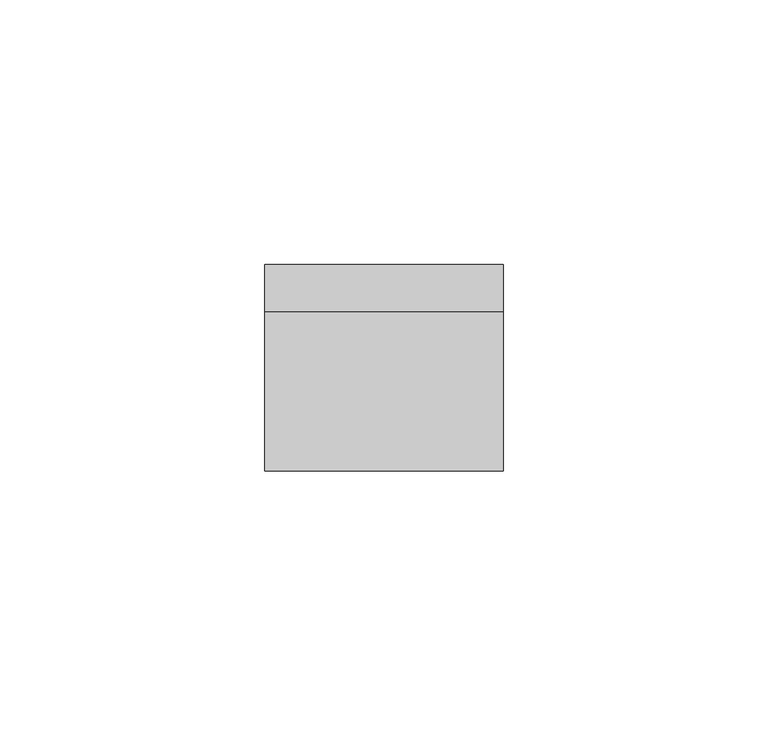
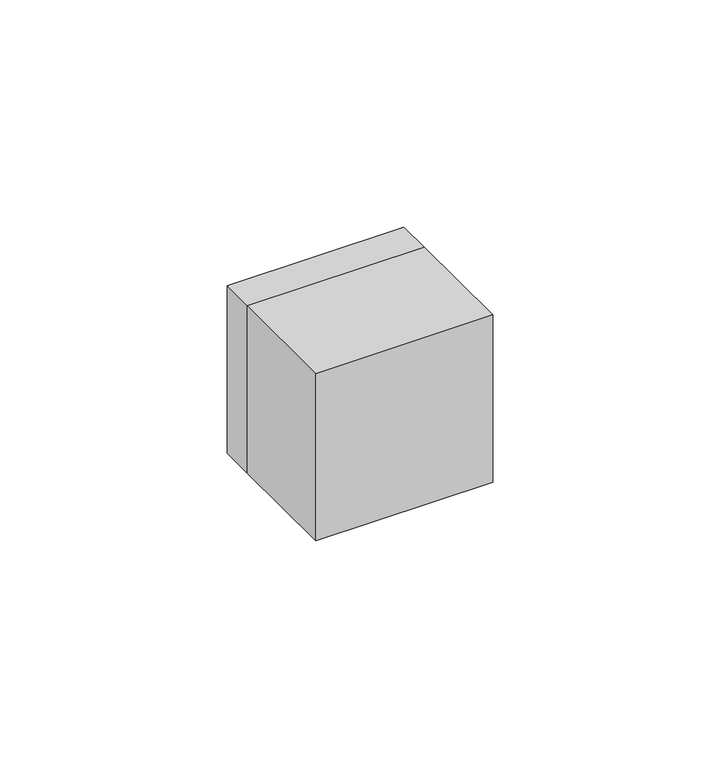
"""IFC4 building model written with IfcOpenShell, lengths in millimetres: electric appliance geometry."""

import ifcopenshell
import ifcopenshell.guid

model = None  # the IFC model being written
_history = None  # IfcOwnerHistory: only IFC2X3 demands one
_inside = {}  # id of a spatial element -> (the spatial element, [elements in it])
_under = {}  # id of a project, library or spatial element -> (it, [spatial elements below it])
_declared = {}  # id of a project -> (the project, [libraries it declares])
_typed = {}  # id of a type object -> (the type object, [elements of that type])
_made_of = {}  # id of a material, layer set ... -> (it, [elements and type objects made of it])


def new_model(schema):
    """Start an empty IFC model of exactly this schema.

    Asked for "IFC4X3", IfcOpenShell would pick the latest addendum, in which some entities
    have other attributes; the version numbers below select the first issue.
    IFC2X3 requires an IfcOwnerHistory on every rooted entity: one is made here for all.
    """
    global model, _history
    if schema == "IFC4X3":
        model = ifcopenshell.file(schema_version=(4, 3, 0, 0))
    else:
        model = ifcopenshell.file(schema=schema)
    _inside.clear()
    _under.clear()
    _declared.clear()
    _typed.clear()
    _made_of.clear()
    _history = None
    if model.schema == "IFC2X3":
        org = make("IfcOrganization", Name="unknown")
        user = make(
            "IfcPersonAndOrganization",
            ThePerson=make("IfcPerson", FamilyName="unknown"),
            TheOrganization=org,
        )
        app = make(
            "IfcApplication",
            ApplicationDeveloper=org,
            Version="unknown",
            ApplicationFullName="unknown",
            ApplicationIdentifier="unknown",
        )
        _history = make(
            "IfcOwnerHistory",
            OwningUser=user,
            OwningApplication=app,
            ChangeAction="ADDED",
            CreationDate=0,
        )
    return model


def make(cls, **values):
    """One entity of the class cls with the attributes given. An attribute that is None is left unset."""
    return model.create_entity(
        cls, **{name: value for name, value in values.items() if value is not None}
    )


def rooted(cls, **values):
    """An entity with a GlobalId (a new one), such as an element, a storey or a relation."""
    return make(cls, GlobalId=ifcopenshell.guid.new(), OwnerHistory=_history, **values)


def si_unit(unit_type, name, prefix=None):
    """IfcSIUnit, for example si_unit("LENGTHUNIT", "METRE", prefix="MILLI")."""
    return make("IfcSIUnit", UnitType=unit_type, Prefix=prefix, Name=name)


def assignment(units):
    """IfcUnitAssignment: the units of a project."""
    return None if units is None else make("IfcUnitAssignment", Units=units)


def point(xyz):
    """IfcCartesianPoint."""
    return None if xyz is None else make("IfcCartesianPoint", Coordinates=xyz)


def direction(xyz):
    """IfcDirection."""
    return None if xyz is None else make("IfcDirection", DirectionRatios=xyz)


def frame(location, z_axis=None, x_axis=None):
    """IfcAxis2Placement3D, a coordinate frame: its origin and axes. An axis left out is left unset."""
    return make(
        "IfcAxis2Placement3D",
        Location=point(location),
        Axis=direction(z_axis),
        RefDirection=direction(x_axis),
    )


def origin():
    """The frame at (0, 0, 0) with its axes left unset."""
    return frame((0.0, 0.0, 0.0))


def place(relative_to, where):
    """IfcLocalPlacement: puts the frame where relative to a parent placement (None: the world)."""
    return make(
        "IfcLocalPlacement", PlacementRelTo=relative_to, RelativePlacement=where
    )


def context(
    kind, dimensions, precision=None, world=None, true_north=None, identifier=None
):
    """IfcGeometricRepresentationContext, for example the 3D "Model" context."""
    return make(
        "IfcGeometricRepresentationContext",
        ContextIdentifier=identifier,
        ContextType=kind,
        CoordinateSpaceDimension=dimensions,
        Precision=precision,
        WorldCoordinateSystem=world,
        TrueNorth=true_north,
    )


def project(units=None, contexts=None):
    """IfcProject with its units and contexts."""
    return rooted(
        "IfcProject",
        Name="project",
        RepresentationContexts=contexts,
        UnitsInContext=assignment(units),
    )


def spatial(cls, under=None, at=None, **own):
    """A site, building, storey or space (cls), placed at a placement, below another one or the project."""
    s = rooted(cls, ObjectPlacement=at, **own)
    if under is not None:
        _under.setdefault(under.id(), (under, []))[1].append(s)
    return s


def polyline(points):
    """IfcPolyline through the points."""
    return make("IfcPolyline", Points=[point(p) for p in points])


def outline(outer, holes=None, kind="AREA"):
    """IfcArbitraryClosedProfileDef: a profile drawn as a closed curve; with holes, ...WithVoids."""
    if holes is None:
        return make("IfcArbitraryClosedProfileDef", ProfileType=kind, OuterCurve=outer)
    return make(
        "IfcArbitraryProfileDefWithVoids",
        ProfileType=kind,
        OuterCurve=outer,
        InnerCurves=holes,
    )


def extrude(swept, where, along, depth):
    """IfcExtrudedAreaSolid: the profile swept, set in the frame where, extruded along a direction by depth."""
    return make(
        "IfcExtrudedAreaSolid",
        SweptArea=swept,
        Position=where,
        ExtrudedDirection=direction(along),
        Depth=depth,
    )


def shape(context_of_items, identifier, shape_type, items):
    """IfcShapeRepresentation: the items that make up one representation, for example the "Body"."""
    return make(
        "IfcShapeRepresentation",
        ContextOfItems=context_of_items,
        RepresentationIdentifier=identifier,
        RepresentationType=shape_type,
        Items=items,
    )


def source(mapping_origin, context_of_items, identifier, shape_type, items):
    """IfcRepresentationMap: a shape defined once, which mapped items show again and again."""
    return make(
        "IfcRepresentationMap",
        MappingOrigin=mapping_origin,
        MappedRepresentation=shape(context_of_items, identifier, shape_type, items),
    )


def transform(
    local_origin,
    x_axis=None,
    y_axis=None,
    z_axis=None,
    scale=None,
    scale2=None,
    scale3=None,
    uniform=True,
):
    """IfcCartesianTransformationOperator3D, or its non-uniform kind. x_axis, y_axis, z_axis: its Axis1, 2, 3."""
    if uniform:
        return make(
            "IfcCartesianTransformationOperator3D",
            Axis1=direction(x_axis),
            Axis2=direction(y_axis),
            LocalOrigin=point(local_origin),
            Scale=scale,
            Axis3=direction(z_axis),
        )
    return make(
        "IfcCartesianTransformationOperator3DnonUniform",
        Axis1=direction(x_axis),
        Axis2=direction(y_axis),
        LocalOrigin=point(local_origin),
        Scale=scale,
        Axis3=direction(z_axis),
        Scale2=scale2,
        Scale3=scale3,
    )


def mapped(mapping_source, mapping_target):
    """IfcMappedItem: shows the shape of a source again, moved by a transform."""
    return make(
        "IfcMappedItem", MappingSource=mapping_source, MappingTarget=mapping_target
    )


def made_of(thing, what):
    """Note that an element or type object is made of a material, layer set ...; save() writes the relation."""
    if what is not None:
        _made_of.setdefault(what.id(), (what, []))[1].append(thing)
    return thing


def element(
    cls,
    number,
    at=None,
    inside=None,
    cuts=None,
    type_object=None,
    material=None,
    context=None,
    identifier="Body",
    shape_type=None,
    held_by="IfcProductDefinitionShape",
    body=None,
    shapes=None,
    **own,
):
    """One element of the class cls, such as IfcWall. Its Tag is "e" and its number.

    at: its placement. inside: the storey or other place that contains it. cuts: it is an
    opening in that element (IfcRelVoidsElement). A single representation is given by context,
    identifier, shape_type and body (its items); several are given by shapes. held_by: the class
    of the entity that holds the representations. save() writes the other relations.
    """
    e = rooted(cls, Tag="e%d" % number, ObjectPlacement=at, **own)
    if body is not None:
        shapes = [shape(context, identifier, shape_type, body)]
    if shapes is not None:
        e.Representation = make(held_by, Representations=shapes)
    if inside is not None:
        _inside.setdefault(inside.id(), (inside, []))[1].append(e)
    if cuts is not None:
        rooted(
            "IfcRelVoidsElement", RelatingBuildingElement=cuts, RelatedOpeningElement=e
        )
    if type_object is not None:
        _typed.setdefault(type_object.id(), (type_object, []))[1].append(e)
    return made_of(e, material)


def aggregate(whole, parts):
    """IfcRelAggregates: a whole, such as a stair, and the parts it consists of."""
    return rooted("IfcRelAggregates", RelatingObject=whole, RelatedObjects=parts)


def save(model, path):
    """Write the relations noted so far, then the file.

    IfcRelAggregates (storeys below a building ...), IfcRelContainedInSpatialStructure (elements
    in a storey), IfcRelDefinesByType, IfcRelAssociatesMaterial and IfcRelDeclares: one each for
    every whole, place, type object, material and project.
    """
    for whole, parts in _under.values():
        aggregate(whole, parts)
    for where, things in _inside.values():
        rooted(
            "IfcRelContainedInSpatialStructure",
            RelatedElements=things,
            RelatingStructure=where,
        )
    for kind, things in _typed.values():
        rooted("IfcRelDefinesByType", RelatedObjects=things, RelatingType=kind)
    for what, things in _made_of.values():
        rooted("IfcRelAssociatesMaterial", RelatedObjects=things, RelatingMaterial=what)
    for by, libraries in _declared.values():
        rooted("IfcRelDeclares", RelatingContext=by, RelatedDefinitions=libraries)
    model.write(path)


def electric_appliance_9a369a44(model_context):
    return source(origin(), model_context, "Body", "SweptSolid", [
        extrude(outline(polyline([(22.5, -30.0), (-22.5, -30.0), (-22.5, 0.0), (22.5, 0.0), (22.5, -30.0)])), frame((0.0, 0.0, -22.5), z_axis=(0.0, 0.0, 1.0), x_axis=(1.0, 0.0, 0.0)), (0.0, 0.0, 1.0), 45.0),
        extrude(outline(polyline([(22.5, 22.5), (22.5, -22.5), (-22.5, -22.5), (-22.5, 22.5), (22.5, 22.5)]), holes=[polyline([(-0.5464825, -7.0), (2.275, -7.0), (2.275, 7.0), (-0.5464825, 7.0), (-2.275, 5.0115681), (-2.275, -5.0115681), (-0.5464825, -7.0)])]), frame((0.0, 0.0, 0.0), z_axis=(0.0, 1.0, 0.0), x_axis=(0.0, 0.0, 1.0)), (0.0, 0.0, 1.0), 9.0),
        extrude(outline(polyline([(5.398209, 0.0), (-5.398209, 0.0), (-5.398209, 9.0), (5.398209, 9.0), (5.398209, 0.0)])), frame((0.0, 0.0, -0.5), z_axis=(0.0, 0.0, 1.0), x_axis=(1.0, 0.0, 0.0)), (0.0, 0.0, 1.0), 1.0),
    ])


if __name__ == "__main__":
    model = new_model("IFC4")
    model_context = context("Model", 3, world=origin())
    ifc_project = project(units=[si_unit("LENGTHUNIT", "METRE", prefix="MILLI")], contexts=[model_context])
    site = spatial("IfcSite", under=ifc_project)
    building = spatial("IfcBuilding", under=site)
    placement = place(None, origin())
    electric_appliance_shape = electric_appliance_9a369a44(model_context)
    element("IfcElectricAppliance", 1, at=placement, inside=building, context=model_context, shape_type="MappedRepresentation", body=[
        mapped(electric_appliance_shape, transform((0.0, 0.0, 0.0), x_axis=(1.0, 0.0, 0.0), y_axis=(0.0, 1.0, 0.0), z_axis=(0.0, 0.0, 1.0))),
    ])
    save(model, "model.ifc")
